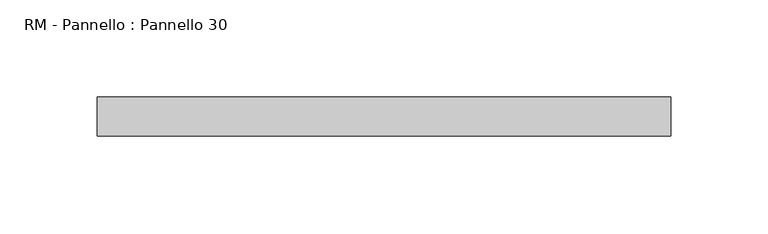
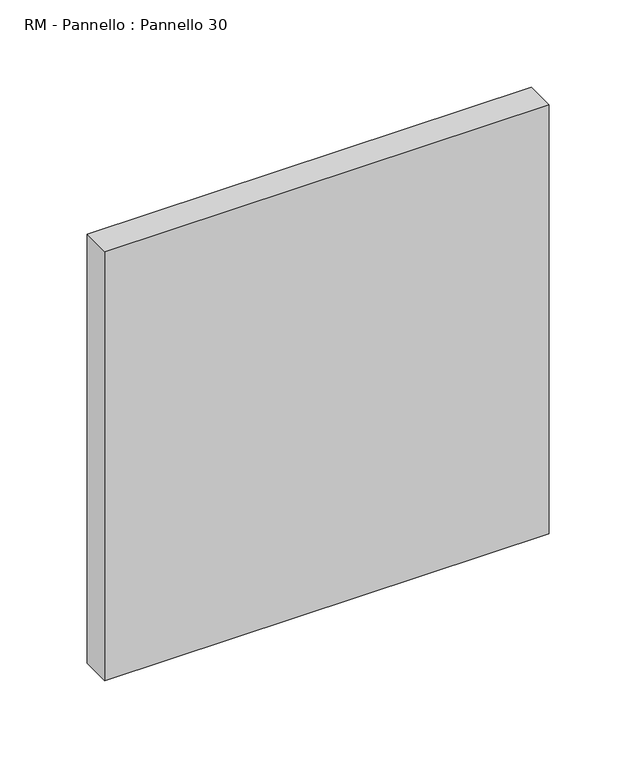
"""IFC4 building model written with IfcOpenShell, lengths in millimetres: plate geometry, RM - Pannello : Pannello 30."""

import ifcopenshell
import ifcopenshell.guid

model = None  # the IFC model being written
_history = None  # IfcOwnerHistory: only IFC2X3 demands one
_inside = {}  # id of a spatial element -> (the spatial element, [elements in it])
_under = {}  # id of a project, library or spatial element -> (it, [spatial elements below it])
_declared = {}  # id of a project -> (the project, [libraries it declares])
_typed = {}  # id of a type object -> (the type object, [elements of that type])
_made_of = {}  # id of a material, layer set ... -> (it, [elements and type objects made of it])


def new_model(schema):
    """Start an empty IFC model of exactly this schema.

    Asked for "IFC4X3", IfcOpenShell would pick the latest addendum, in which some entities
    have other attributes; the version numbers below select the first issue.
    IFC2X3 requires an IfcOwnerHistory on every rooted entity: one is made here for all.
    """
    global model, _history
    if schema == "IFC4X3":
        model = ifcopenshell.file(schema_version=(4, 3, 0, 0))
    else:
        model = ifcopenshell.file(schema=schema)
    _inside.clear()
    _under.clear()
    _declared.clear()
    _typed.clear()
    _made_of.clear()
    _history = None
    if model.schema == "IFC2X3":
        org = make("IfcOrganization", Name="unknown")
        user = make(
            "IfcPersonAndOrganization",
            ThePerson=make("IfcPerson", FamilyName="unknown"),
            TheOrganization=org,
        )
        app = make(
            "IfcApplication",
            ApplicationDeveloper=org,
            Version="unknown",
            ApplicationFullName="unknown",
            ApplicationIdentifier="unknown",
        )
        _history = make(
            "IfcOwnerHistory",
            OwningUser=user,
            OwningApplication=app,
            ChangeAction="ADDED",
            CreationDate=0,
        )
    return model


def make(cls, **values):
    """One entity of the class cls with the attributes given. An attribute that is None is left unset."""
    return model.create_entity(
        cls, **{name: value for name, value in values.items() if value is not None}
    )


def rooted(cls, **values):
    """An entity with a GlobalId (a new one), such as an element, a storey or a relation."""
    return make(cls, GlobalId=ifcopenshell.guid.new(), OwnerHistory=_history, **values)


def si_unit(unit_type, name, prefix=None):
    """IfcSIUnit, for example si_unit("LENGTHUNIT", "METRE", prefix="MILLI")."""
    return make("IfcSIUnit", UnitType=unit_type, Prefix=prefix, Name=name)


def assignment(units):
    """IfcUnitAssignment: the units of a project."""
    return None if units is None else make("IfcUnitAssignment", Units=units)


def point(xyz):
    """IfcCartesianPoint."""
    return None if xyz is None else make("IfcCartesianPoint", Coordinates=xyz)


def direction(xyz):
    """IfcDirection."""
    return None if xyz is None else make("IfcDirection", DirectionRatios=xyz)


def frame(location, z_axis=None, x_axis=None):
    """IfcAxis2Placement3D, a coordinate frame: its origin and axes. An axis left out is left unset."""
    return make(
        "IfcAxis2Placement3D",
        Location=point(location),
        Axis=direction(z_axis),
        RefDirection=direction(x_axis),
    )


def origin():
    """The frame at (0, 0, 0) with its axes left unset."""
    return frame((0.0, 0.0, 0.0))


def origin_with_axes():
    """The frame at (0, 0, 0) with the z axis (0, 0, 1) and the x axis (1, 0, 0) written out."""
    return frame((0.0, 0.0, 0.0), z_axis=(0.0, 0.0, 1.0), x_axis=(1.0, 0.0, 0.0))


def place(relative_to, where):
    """IfcLocalPlacement: puts the frame where relative to a parent placement (None: the world)."""
    return make(
        "IfcLocalPlacement", PlacementRelTo=relative_to, RelativePlacement=where
    )


def context(
    kind, dimensions, precision=None, world=None, true_north=None, identifier=None
):
    """IfcGeometricRepresentationContext, for example the 3D "Model" context."""
    return make(
        "IfcGeometricRepresentationContext",
        ContextIdentifier=identifier,
        ContextType=kind,
        CoordinateSpaceDimension=dimensions,
        Precision=precision,
        WorldCoordinateSystem=world,
        TrueNorth=true_north,
    )


def project(units=None, contexts=None):
    """IfcProject with its units and contexts."""
    return rooted(
        "IfcProject",
        Name="project",
        RepresentationContexts=contexts,
        UnitsInContext=assignment(units),
    )


def spatial(cls, under=None, at=None, **own):
    """A site, building, storey or space (cls), placed at a placement, below another one or the project."""
    s = rooted(cls, ObjectPlacement=at, **own)
    if under is not None:
        _under.setdefault(under.id(), (under, []))[1].append(s)
    return s


def polyline(points):
    """IfcPolyline through the points."""
    return make("IfcPolyline", Points=[point(p) for p in points])


def outline(outer, holes=None, kind="AREA"):
    """IfcArbitraryClosedProfileDef: a profile drawn as a closed curve; with holes, ...WithVoids."""
    if holes is None:
        return make("IfcArbitraryClosedProfileDef", ProfileType=kind, OuterCurve=outer)
    return make(
        "IfcArbitraryProfileDefWithVoids",
        ProfileType=kind,
        OuterCurve=outer,
        InnerCurves=holes,
    )


def extrude(swept, where, along, depth):
    """IfcExtrudedAreaSolid: the profile swept, set in the frame where, extruded along a direction by depth."""
    return make(
        "IfcExtrudedAreaSolid",
        SweptArea=swept,
        Position=where,
        ExtrudedDirection=direction(along),
        Depth=depth,
    )


def shape(context_of_items, identifier, shape_type, items):
    """IfcShapeRepresentation: the items that make up one representation, for example the "Body"."""
    return make(
        "IfcShapeRepresentation",
        ContextOfItems=context_of_items,
        RepresentationIdentifier=identifier,
        RepresentationType=shape_type,
        Items=items,
    )


def source(mapping_origin, context_of_items, identifier, shape_type, items):
    """IfcRepresentationMap: a shape defined once, which mapped items show again and again."""
    return make(
        "IfcRepresentationMap",
        MappingOrigin=mapping_origin,
        MappedRepresentation=shape(context_of_items, identifier, shape_type, items),
    )


def transform(
    local_origin,
    x_axis=None,
    y_axis=None,
    z_axis=None,
    scale=None,
    scale2=None,
    scale3=None,
    uniform=True,
):
    """IfcCartesianTransformationOperator3D, or its non-uniform kind. x_axis, y_axis, z_axis: its Axis1, 2, 3."""
    if uniform:
        return make(
            "IfcCartesianTransformationOperator3D",
            Axis1=direction(x_axis),
            Axis2=direction(y_axis),
            LocalOrigin=point(local_origin),
            Scale=scale,
            Axis3=direction(z_axis),
        )
    return make(
        "IfcCartesianTransformationOperator3DnonUniform",
        Axis1=direction(x_axis),
        Axis2=direction(y_axis),
        LocalOrigin=point(local_origin),
        Scale=scale,
        Axis3=direction(z_axis),
        Scale2=scale2,
        Scale3=scale3,
    )


def mapped(mapping_source, mapping_target):
    """IfcMappedItem: shows the shape of a source again, moved by a transform."""
    return make(
        "IfcMappedItem", MappingSource=mapping_source, MappingTarget=mapping_target
    )


def made_of(thing, what):
    """Note that an element or type object is made of a material, layer set ...; save() writes the relation."""
    if what is not None:
        _made_of.setdefault(what.id(), (what, []))[1].append(thing)
    return thing


def element(
    cls,
    number,
    at=None,
    inside=None,
    cuts=None,
    type_object=None,
    material=None,
    context=None,
    identifier="Body",
    shape_type=None,
    held_by="IfcProductDefinitionShape",
    body=None,
    shapes=None,
    **own,
):
    """One element of the class cls, such as IfcWall. Its Tag is "e" and its number.

    at: its placement. inside: the storey or other place that contains it. cuts: it is an
    opening in that element (IfcRelVoidsElement). A single representation is given by context,
    identifier, shape_type and body (its items); several are given by shapes. held_by: the class
    of the entity that holds the representations. save() writes the other relations.
    """
    e = rooted(cls, Tag="e%d" % number, ObjectPlacement=at, **own)
    if body is not None:
        shapes = [shape(context, identifier, shape_type, body)]
    if shapes is not None:
        e.Representation = make(held_by, Representations=shapes)
    if inside is not None:
        _inside.setdefault(inside.id(), (inside, []))[1].append(e)
    if cuts is not None:
        rooted(
            "IfcRelVoidsElement", RelatingBuildingElement=cuts, RelatedOpeningElement=e
        )
    if type_object is not None:
        _typed.setdefault(type_object.id(), (type_object, []))[1].append(e)
    return made_of(e, material)


def aggregate(whole, parts):
    """IfcRelAggregates: a whole, such as a stair, and the parts it consists of."""
    return rooted("IfcRelAggregates", RelatingObject=whole, RelatedObjects=parts)


def save(model, path):
    """Write the relations noted so far, then the file.

    IfcRelAggregates (storeys below a building ...), IfcRelContainedInSpatialStructure (elements
    in a storey), IfcRelDefinesByType, IfcRelAssociatesMaterial and IfcRelDeclares: one each for
    every whole, place, type object, material and project.
    """
    for whole, parts in _under.values():
        aggregate(whole, parts)
    for where, things in _inside.values():
        rooted(
            "IfcRelContainedInSpatialStructure",
            RelatedElements=things,
            RelatingStructure=where,
        )
    for kind, things in _typed.values():
        rooted("IfcRelDefinesByType", RelatedObjects=things, RelatingType=kind)
    for what, things in _made_of.values():
        rooted("IfcRelAssociatesMaterial", RelatedObjects=things, RelatingMaterial=what)
    for by, libraries in _declared.values():
        rooted("IfcRelDeclares", RelatingContext=by, RelatedDefinitions=libraries)
    model.write(path)


def rm_pannello_pannello_30_360a283b(model_context):
    return source(origin(), model_context, "Body", "SweptSolid", [
        extrude(outline(polyline([(147.0, 200.0), (147.0, 180.0), (-147.0, 180.0), (-147.0, 200.0), (147.0, 200.0)])), origin_with_axes(), (0.0, 0.0, 1.0), 300.0),
    ])


if __name__ == "__main__":
    model = new_model("IFC4")
    model_context = context("Model", 3, world=origin())
    ifc_project = project(units=[si_unit("LENGTHUNIT", "METRE", prefix="MILLI")], contexts=[model_context])
    site = spatial("IfcSite", under=ifc_project)
    building = spatial("IfcBuilding", under=site)
    placement = place(None, origin())
    rm_pannello_pannello_30_shape = rm_pannello_pannello_30_360a283b(model_context)
    element("IfcPlate", 1, ObjectType="RM - Pannello : Pannello 30", at=placement, inside=building, context=model_context, shape_type="MappedRepresentation", body=[
        mapped(rm_pannello_pannello_30_shape, transform((0.0, 0.0, 0.0), x_axis=(1.0, 0.0, 0.0), y_axis=(0.0, 1.0, 0.0), z_axis=(0.0, 0.0, 1.0))),
    ])
    save(model, "model.ifc")
